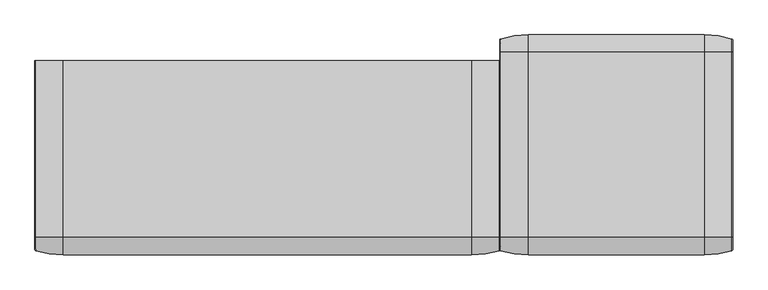
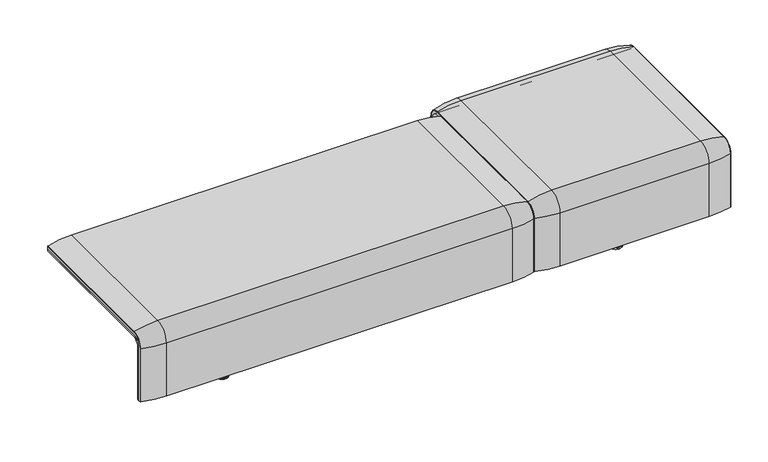
"""IFC4 building model written with IfcOpenShell, lengths in millimetres: furniture geometry."""

from ifc_helpers import new_model, si_unit, point, frame, frame_2d, origin, place, context, project, spatial, polyline, circle_curve, ellipse_curve, trimmed, segment, composite_curve, outline, extrude, source, transform, mapped, element, save
from ifc_brep_helpers import plane_surface, cylinder_surface, revolved_surface, advanced_brep


def furniture_ec41b5b8(model_context):
    return source(origin(), model_context, "Body", "SolidModel", [
        advanced_brep(
        [(407.9906244, -368.7793679, 100.5089435), (407.9906244, -357.5, 100.5089435), (1223.9718733, -357.5, 100.5089435), (1223.9718733, -368.7793679, 100.5089435), (1221.8332448, -371.6530483, 100.5089435), (1123.9718733, -386.0043559, 100.5089435), (507.9906244, -386.0043559, 100.5089435), (410.1292529, -371.6530483, 100.5089435), (407.9906244, 368.7793679, 100.5089435), (410.1292529, 371.6530483, 100.5089435), (507.9906244, 386.0043559, 100.5089435), (1123.9718733, 386.0043559, 100.5089435), (1221.8332448, 371.6530483, 100.5089435), (1223.9718733, 368.7793679, 100.5089435), (1223.9718733, 357.5, 100.5089435), (407.9906244, 357.5, 100.5089435), (407.9906244, -368.7793679, 333.0583003), (407.9906244, -324.3858663, 377.4518019), (407.9906244, 324.3858663, 377.4518019), (407.9906244, 368.7793679, 333.0583003), (407.9906244, 357.5, 333.0583003), (407.9906244, 324.3858663, 366.172434), (407.9906244, -324.3858663, 366.172434), (407.9906244, -357.5, 333.0583003), (1223.9718733, -357.5, 333.0583003), (1123.9718733, -386.0043559, 333.0583003), (507.9906244, -386.0043559, 333.0583003), (410.1292529, -371.6530483, 333.0583003), (1223.9718733, -324.3858663, 366.172434), (507.9906244, -324.3858663, 394.67679), (1123.9718733, -324.3858663, 394.67679), (410.1292529, -324.3858663, 380.3254823), (1223.9718733, 324.3858663, 366.172434), (1123.9718733, 324.3858663, 394.67679), (507.9906244, 324.3858663, 394.67679), (410.1292529, 324.3858663, 380.3254823), (1223.9718733, 357.5, 333.0583003), (507.9906244, 386.0043559, 333.0583003), (1123.9718733, 386.0043559, 333.0583003), (410.1292529, 371.6530483, 333.0583003), (1223.9718733, 368.7793679, 333.0583003), (1223.9718733, 324.3858663, 377.4518019), (1223.9718733, -324.3858663, 377.4518019), (1223.9718733, -368.7793679, 333.0583003), (1221.8332448, -371.6530483, 333.0583003), (1221.8332448, -324.3858663, 380.3254823), (1221.8332448, 324.3858663, 380.3254823), (1221.8332448, 371.6530483, 333.0583003)],
        [
            (0, 1),
            (1, 2),
            (2, 3),
            (3, 4, circle_curve(frame((1220.9718733, -368.7793679, 100.5089435), z_axis=(0.0, 0.0, -1.0), x_axis=(-1.0, 0.0, 0.0)), 3.0)),
            (4, 5, circle_curve(frame((1123.9718733, -45.1710226, 100.5089435), z_axis=(0.0, 0.0, -1.0), x_axis=(0.0, 1.0, 0.0)), 340.8333333)),
            (5, 6),
            (6, 7, circle_curve(frame((507.9906244, -45.1710226, 100.5089435), z_axis=(0.0, 0.0, -1.0), x_axis=(0.0, 1.0, 0.0)), 340.8333333)),
            (7, 0, circle_curve(frame((410.9906244, -368.7793679, 100.5089435), z_axis=(0.0, 0.0, -1.0), x_axis=(1.0, 0.0, 0.0)), 3.0)),
            (8, 9, circle_curve(frame((410.9906244, 368.7793679, 100.5089435), z_axis=(0.0, 0.0, -1.0), x_axis=(1.0, 0.0, 0.0)), 3.0)),
            (9, 10, circle_curve(frame((507.9906244, 45.1710226, 100.5089435), z_axis=(0.0, 0.0, -1.0), x_axis=(0.0, -1.0, 0.0)), 340.8333333)),
            (10, 11),
            (11, 12, circle_curve(frame((1123.9718733, 45.1710226, 100.5089435), z_axis=(0.0, 0.0, -1.0), x_axis=(0.0, -1.0, 0.0)), 340.8333333)),
            (12, 13, circle_curve(frame((1220.9718733, 368.7793679, 100.5089435), z_axis=(0.0, 0.0, -1.0), x_axis=(-1.0, 0.0, 0.0)), 3.0)),
            (13, 14),
            (14, 15),
            (15, 8),
            (0, 16),
            (16, 17, circle_curve(frame((407.9906244, -324.3858663, 333.0583003), z_axis=(-1.0, 0.0, 0.0), x_axis=(0.0, -1.0, 0.0)), 44.3935016)),
            (17, 18),
            (18, 19, circle_curve(frame((407.9906244, 324.3858663, 333.0583003), z_axis=(-1.0, 0.0, 0.0), x_axis=(0.0, 0.0, 1.0)), 44.3935016)),
            (19, 8),
            (15, 20),
            (20, 21, circle_curve(frame((407.9906244, 324.3858663, 333.0583003), z_axis=(1.0, 0.0, 0.0), x_axis=(0.0, 0.0, 1.0)), 33.1141337)),
            (21, 22),
            (22, 23, circle_curve(frame((407.9906244, -324.3858663, 333.0583003), z_axis=(1.0, 0.0, 0.0), x_axis=(0.0, -1.0, 0.0)), 33.1141337)),
            (23, 1),
            (23, 24),
            (24, 2),
            (5, 25),
            (25, 26),
            (26, 6),
            (26, 27, circle_curve(frame((507.9906244, -45.1710226, 333.0583003), z_axis=(0.0, 0.0, -1.0), x_axis=(0.0, 1.0, 0.0)), 340.8333333)),
            (27, 7),
            (27, 16, circle_curve(frame((410.9906244, -368.7793679, 333.0583003), z_axis=(0.0, 0.0, -1.0), x_axis=(1.0, 0.0, 0.0)), 3.0)),
            (28, 24, circle_curve(frame((1223.9718733, -324.3858663, 333.0583003), z_axis=(1.0, 0.0, 0.0), x_axis=(0.0, -1.0, 0.0)), 33.1141337)),
            (22, 28),
            (29, 26, circle_curve(frame((507.9906244, -324.3858663, 333.0583003), z_axis=(1.0, 0.0, 0.0), x_axis=(0.0, -1.0, 0.0)), 61.6184897)),
            (25, 30, circle_curve(frame((1123.9718733, -324.3858663, 333.0583003), z_axis=(-1.0, 0.0, 0.0), x_axis=(0.0, -1.0, 0.0)), 61.6184897)),
            (30, 29),
            (31, 27, circle_curve(frame((410.1292529, -324.3858663, 333.0583003), z_axis=(1.0, 0.0, 0.0), x_axis=(0.0, -1.0, 0.0)), 47.267182)),
            (29, 31, circle_curve(frame((507.9906244, -324.3858663, 53.8434566), z_axis=(0.0, -1.0, 0.0), x_axis=(0.0, 0.0, -1.0)), 340.8333333)),
            (31, 17, circle_curve(frame((410.9906244, -324.3858663, 377.4518019), z_axis=(0.0, -1.0, 0.0), x_axis=(1.0, 0.0, 0.0)), 3.0)),
            (21, 32),
            (32, 28),
            (30, 33),
            (33, 34),
            (34, 29),
            (34, 35, circle_curve(frame((507.9906244, 324.3858663, 53.8434566), z_axis=(0.0, -1.0, 0.0), x_axis=(0.0, 0.0, -1.0)), 340.8333333)),
            (35, 31),
            (35, 18, circle_curve(frame((410.9906244, 324.3858663, 377.4518019), z_axis=(0.0, -1.0, 0.0), x_axis=(1.0, 0.0, 0.0)), 3.0)),
            (36, 32, circle_curve(frame((1223.9718733, 324.3858663, 333.0583003), z_axis=(1.0, 0.0, 0.0), x_axis=(0.0, 0.0, 1.0)), 33.1141337)),
            (20, 36),
            (37, 34, circle_curve(frame((507.9906244, 324.3858663, 333.0583003), z_axis=(1.0, 0.0, 0.0), x_axis=(0.0, 0.0, 1.0)), 61.6184897)),
            (33, 38, circle_curve(frame((1123.9718733, 324.3858663, 333.0583003), z_axis=(-1.0, 0.0, 0.0), x_axis=(0.0, 0.0, 1.0)), 61.6184897)),
            (38, 37),
            (39, 35, circle_curve(frame((410.1292529, 324.3858663, 333.0583003), z_axis=(1.0, 0.0, 0.0), x_axis=(0.0, 0.0, 1.0)), 47.267182)),
            (37, 39, circle_curve(frame((507.9906244, 45.1710226, 333.0583003), z_axis=(0.0, 0.0, 1.0), x_axis=(0.0, -1.0, 0.0)), 340.8333333)),
            (39, 19, circle_curve(frame((410.9906244, 368.7793679, 333.0583003), z_axis=(0.0, 0.0, 1.0), x_axis=(1.0, 0.0, 0.0)), 3.0)),
            (14, 36),
            (38, 11),
            (10, 37),
            (9, 39),
            (13, 40),
            (40, 41, circle_curve(frame((1223.9718733, 324.3858663, 333.0583003), z_axis=(1.0, 0.0, 0.0), x_axis=(0.0, 0.0, 1.0)), 44.3935016)),
            (41, 42),
            (42, 43, circle_curve(frame((1223.9718733, -324.3858663, 333.0583003), z_axis=(1.0, 0.0, 0.0), x_axis=(0.0, -1.0, 0.0)), 44.3935016)),
            (43, 3),
            (43, 44, circle_curve(frame((1220.9718733, -368.7793679, 333.0583003), z_axis=(0.0, 0.0, -1.0), x_axis=(-1.0, 0.0, 0.0)), 3.0)),
            (44, 4),
            (44, 25, circle_curve(frame((1123.9718733, -45.1710226, 333.0583003), z_axis=(0.0, 0.0, -1.0), x_axis=(0.0, 1.0, 0.0)), 340.8333333)),
            (45, 44, circle_curve(frame((1221.8332448, -324.3858663, 333.0583003), z_axis=(1.0, 0.0, 0.0), x_axis=(0.0, -1.0, 0.0)), 47.267182)),
            (42, 45, circle_curve(frame((1220.9718733, -324.3858663, 377.4518019), z_axis=(0.0, -1.0, 0.0), x_axis=(-1.0, 0.0, 0.0)), 3.0)),
            (45, 30, circle_curve(frame((1123.9718733, -324.3858663, 53.8434566), z_axis=(0.0, -1.0, 0.0), x_axis=(0.0, 0.0, -1.0)), 340.8333333)),
            (41, 46, circle_curve(frame((1220.9718733, 324.3858663, 377.4518019), z_axis=(0.0, -1.0, 0.0), x_axis=(-1.0, 0.0, 0.0)), 3.0)),
            (46, 45),
            (46, 33, circle_curve(frame((1123.9718733, 324.3858663, 53.8434566), z_axis=(0.0, -1.0, 0.0), x_axis=(0.0, 0.0, -1.0)), 340.8333333)),
            (47, 46, circle_curve(frame((1221.8332448, 324.3858663, 333.0583003), z_axis=(1.0, 0.0, 0.0), x_axis=(0.0, 0.0, 1.0)), 47.267182)),
            (40, 47, circle_curve(frame((1220.9718733, 368.7793679, 333.0583003), z_axis=(0.0, 0.0, 1.0), x_axis=(-1.0, 0.0, 0.0)), 3.0)),
            (47, 38, circle_curve(frame((1123.9718733, 45.1710226, 333.0583003), z_axis=(0.0, 0.0, 1.0), x_axis=(0.0, -1.0, 0.0)), 340.8333333)),
            (12, 47),
        ],
        [
            plane_surface(frame((407.9906244, -357.5, 100.5089435), z_axis=(0.0, 0.0, -1.0), x_axis=(1.0, 0.0, 0.0))),
            plane_surface(frame((407.9906244, 357.5, 100.5089435), z_axis=(0.0, 0.0, -1.0), x_axis=(1.0, 0.0, 0.0))),
            plane_surface(frame((407.9906244, -368.7793679, 100.5089435), z_axis=(-1.0, 0.0, 0.0), x_axis=(0.0, 0.0, 1.0))),
            plane_surface(frame((407.9906244, -357.5, 100.5089435), z_axis=(0.0, 1.0, 0.0), x_axis=(0.0, 0.0, 1.0))),
            plane_surface(frame((1123.9718733, -386.0043559, 100.5089435), z_axis=(0.0, -1.0, 0.0), x_axis=(0.0, 0.0, 1.0))),
            cylinder_surface(frame((507.9906244, -45.1710226, 100.5089435), z_axis=(0.0, 0.0, -1.0), x_axis=(0.0, 1.0, 0.0)), 340.8333333),
            cylinder_surface(frame((410.9906244, -368.7793679, 100.5089435), z_axis=(0.0, 0.0, -1.0), x_axis=(1.0, 0.0, 0.0)), 3.0),
            revolved_surface(polyline([(407.9906244, -357.5, 333.0583003), (1223.9718733, -357.5, 333.0583003)]), (407.9906244, -324.3858663, 333.0583003), (-1.0, 0.0, 0.0)),
            cylinder_surface(frame((407.9906244, -324.3858663, 333.0583003), z_axis=(-1.0, 0.0, 0.0), x_axis=(0.0, -1.0, 0.0)), 61.6184897),
            revolved_surface(trimmed(ellipse_curve(frame((507.9906244, -45.1710226, 333.0583003), z_axis=(0.0, 0.0, -1.0), x_axis=(0.0, 1.0, 0.0)), 340.8333333, 340.8333333), [point((507.9906244, -386.0043559, 333.0583003))], [point((410.1292529, -371.6530483, 333.0583003))], True, "CARTESIAN"), (407.9906244, -324.3858663, 333.0583003), (-1.0, 0.0, 0.0)),
            revolved_surface(trimmed(ellipse_curve(frame((410.9906244, -368.7793679, 333.0583003), z_axis=(0.0, 0.0, -1.0), x_axis=(1.0, 0.0, 0.0)), 3.0, 3.0), [point((410.1292529, -371.6530483, 333.0583003))], [point((407.9906244, -368.7793679, 333.0583003))], True, "CARTESIAN"), (407.9906244, -324.3858663, 333.0583003), (-1.0, 0.0, 0.0)),
            plane_surface(frame((407.9906244, -324.3858663, 366.172434), z_axis=(0.0, 0.0, -1.0), x_axis=(0.0, 1.0, 0.0))),
            plane_surface(frame((1123.9718733, -324.3858663, 394.67679), z_axis=(0.0, 0.0, 1.0), x_axis=(0.0, 1.0, 0.0))),
            cylinder_surface(frame((507.9906244, -324.3858663, 53.8434566), z_axis=(0.0, -1.0, 0.0), x_axis=(0.0, 0.0, -1.0)), 340.8333333),
            cylinder_surface(frame((410.9906244, -324.3858663, 377.4518019), z_axis=(0.0, -1.0, 0.0), x_axis=(1.0, 0.0, 0.0)), 3.0),
            revolved_surface(polyline([(407.9906244, 324.3858663, 366.17243399999995), (1223.9718733, 324.3858663, 366.17243399999995)]), (407.9906244, 324.3858663, 333.0583003), (-1.0, 0.0, 0.0)),
            cylinder_surface(frame((407.9906244, 324.3858663, 333.0583003), z_axis=(-1.0, 0.0, 0.0), x_axis=(0.0, 0.0, 1.0)), 61.6184897),
            revolved_surface(trimmed(ellipse_curve(frame((507.9906244, 324.3858663, 53.8434566), z_axis=(0.0, -1.0, 0.0), x_axis=(0.0, 0.0, -1.0)), 340.8333333, 340.8333333), [point((507.9906244, 324.3858663, 394.67679))], [point((410.1292529, 324.3858663, 380.3254823))], True, "CARTESIAN"), (407.9906244, 324.3858663, 333.0583003), (-1.0, 0.0, 0.0)),
            revolved_surface(trimmed(ellipse_curve(frame((410.9906244, 324.3858663, 377.4518019), z_axis=(0.0, -1.0, 0.0), x_axis=(1.0, 0.0, 0.0)), 3.0, 3.0), [point((410.1292529, 324.3858663, 380.3254823))], [point((407.9906244, 324.3858663, 377.4518019))], True, "CARTESIAN"), (407.9906244, 324.3858663, 333.0583003), (-1.0, 0.0, 0.0)),
            plane_surface(frame((407.9906244, 357.5, 333.0583003), z_axis=(0.0, -1.0, 0.0), x_axis=(0.0, 0.0, -1.0))),
            plane_surface(frame((1123.9718733, 386.0043559, 333.0583003), z_axis=(0.0, 1.0, 0.0), x_axis=(0.0, 0.0, -1.0))),
            cylinder_surface(frame((507.9906244, 45.1710226, 333.0583003), z_axis=(0.0, 0.0, 1.0), x_axis=(0.0, -1.0, 0.0)), 340.8333333),
            cylinder_surface(frame((410.9906244, 368.7793679, 333.0583003), z_axis=(0.0, 0.0, 1.0), x_axis=(1.0, 0.0, 0.0)), 3.0),
            plane_surface(frame((1223.9718733, -357.5, 100.5089435), z_axis=(1.0, 0.0, 0.0), x_axis=(0.0, 0.0, 1.0))),
            cylinder_surface(frame((1220.9718733, -368.7793679, 100.5089435), z_axis=(0.0, 0.0, -1.0), x_axis=(-1.0, 0.0, 0.0)), 3.0),
            cylinder_surface(frame((1123.9718733, -45.1710226, 100.5089435), z_axis=(0.0, 0.0, -1.0), x_axis=(0.0, 1.0, 0.0)), 340.8333333),
            revolved_surface(trimmed(ellipse_curve(frame((1220.9718733, -368.7793679, 333.0583003), z_axis=(0.0, 0.0, -1.0), x_axis=(-1.0, 0.0, 0.0)), 3.0, 3.0), [point((1223.9718733, -368.7793679, 333.0583003))], [point((1221.8332448, -371.6530483, 333.0583003))], True, "CARTESIAN"), (407.9906244, -324.3858663, 333.0583003), (-1.0, 0.0, 0.0)),
            revolved_surface(trimmed(ellipse_curve(frame((1123.9718733, -45.1710226, 333.0583003), z_axis=(0.0, 0.0, -1.0), x_axis=(0.0, 1.0, 0.0)), 340.8333333, 340.8333333), [point((1221.8332448, -371.6530483, 333.0583003))], [point((1123.9718733, -386.0043559, 333.0583003))], True, "CARTESIAN"), (407.9906244, -324.3858663, 333.0583003), (-1.0, 0.0, 0.0)),
            cylinder_surface(frame((1220.9718733, -324.3858663, 377.4518019), z_axis=(0.0, -1.0, 0.0), x_axis=(-1.0, 0.0, 0.0)), 3.0),
            cylinder_surface(frame((1123.9718733, -324.3858663, 53.8434566), z_axis=(0.0, -1.0, 0.0), x_axis=(0.0, 0.0, -1.0)), 340.8333333),
            revolved_surface(trimmed(ellipse_curve(frame((1220.9718733, 324.3858663, 377.4518019), z_axis=(0.0, -1.0, 0.0), x_axis=(-1.0, 0.0, 0.0)), 3.0, 3.0), [point((1223.9718733, 324.3858663, 377.4518019))], [point((1221.8332448, 324.3858663, 380.3254823))], True, "CARTESIAN"), (407.9906244, 324.3858663, 333.0583003), (-1.0, 0.0, 0.0)),
            revolved_surface(trimmed(ellipse_curve(frame((1123.9718733, 324.3858663, 53.8434566), z_axis=(0.0, -1.0, 0.0), x_axis=(0.0, 0.0, -1.0)), 340.8333333, 340.8333333), [point((1221.8332448, 324.3858663, 380.3254823))], [point((1123.9718733, 324.3858663, 394.67679))], True, "CARTESIAN"), (407.9906244, 324.3858663, 333.0583003), (-1.0, 0.0, 0.0)),
            cylinder_surface(frame((1220.9718733, 368.7793679, 333.0583003), z_axis=(0.0, 0.0, 1.0), x_axis=(-1.0, 0.0, 0.0)), 3.0),
            cylinder_surface(frame((1123.9718733, 45.1710226, 333.0583003), z_axis=(0.0, 0.0, 1.0), x_axis=(0.0, -1.0, 0.0)), 340.8333333),
        ],
        [
            (0, [[1, 2, 3, 4, 5, 6, 7, 8]]),
            (1, [[9, 10, 11, 12, 13, 14, 15, 16]]),
            (2, [[-1, 17, 18, 19, 20, 21, -16, 22, 23, 24, 25, 26]]),
            (3, [[-2, -26, 27, 28]]),
            (4, [[-6, 29, 30, 31]]),
            (5, [[-7, -31, 32, 33]]),
            (6, [[-8, -33, 34, -17]]),
            (7, [[35, -27, -25, 36]]),
            (8, [[37, -30, 38, 39]]),
            (9, [[40, -32, -37, 41]]),
            (10, [[-18, -34, -40, 42]]),
            (11, [[-36, -24, 43, 44]]),
            (12, [[-39, 45, 46, 47]]),
            (13, [[-41, -47, 48, 49]]),
            (14, [[-42, -49, 50, -19]]),
            (15, [[51, -43, -23, 52]]),
            (16, [[53, -46, 54, 55]]),
            (17, [[56, -48, -53, 57]]),
            (18, [[-20, -50, -56, 58]]),
            (19, [[-52, -22, -15, 59]]),
            (20, [[-55, 60, -11, 61]]),
            (21, [[-57, -61, -10, 62]]),
            (22, [[-58, -62, -9, -21]]),
            (23, [[-3, -28, -35, -44, -51, -59, -14, 63, 64, 65, 66, 67]]),
            (24, [[-4, -67, 68, 69]]),
            (25, [[-5, -69, 70, -29]]),
            (26, [[71, -68, -66, 72]]),
            (27, [[-38, -70, -71, 73]]),
            (28, [[-72, -65, 74, 75]]),
            (29, [[-73, -75, 76, -45]]),
            (30, [[77, -74, -64, 78]]),
            (31, [[-54, -76, -77, 79]]),
            (32, [[-78, -63, -13, 80]]),
            (33, [[-79, -80, -12, -60]]),
        ],
    ),
        advanced_brep(
        [(-1223.9718733, 295.0, 359.922434), (-1223.9718733, -323.7517936, 359.922434), (-1223.9718733, -351.0, 332.6742277), (-1223.9718733, -351.0, 100.5089435), (-1223.9718733, -357.5, 100.5089435), (-1223.9718733, -357.5, 333.0583003), (-1223.9718733, -324.3858663, 366.172434), (-1223.9718733, 295.0, 366.172434), (407.9906244, 295.0, 359.922434), (407.9906244, 295.0, 366.172434), (407.9906244, -324.3858663, 366.172434), (407.9906244, -357.5, 333.0583003), (407.9906244, -357.5, 100.5089435), (407.9906244, -351.0, 100.5089435), (407.9906244, -351.0, 332.6742277), (407.9906244, -323.7517936, 359.922434), (-1189.0718733, -324.3858663, 366.172434), (-1189.0718733, 260.0, 366.172434), (373.0906244, 260.0, 366.172434), (373.0906244, -324.3858663, 366.172434), (-1189.0718733, -357.5, 333.0583003), (373.0906244, -357.5, 333.0583003), (373.0906244, -357.5, 135.3766997), (-1189.0718733, -357.5, 135.3766997), (-1189.0718733, -351.0, 332.6742277), (-1189.0718733, -351.0, 135.3766997), (373.0906244, -351.0, 135.3766997), (373.0906244, -351.0, 332.6742277), (-1189.0718733, -323.7517936, 359.922434), (373.0906244, -323.7517936, 359.922434), (373.0906244, 260.0, 359.922434), (-1189.0718733, 260.0, 359.922434)],
        [
            (0, 1),
            (1, 2, circle_curve(frame((-1223.9718733, -323.7517936, 332.6742277), z_axis=(1.0, 0.0, 0.0), x_axis=(0.0, -1.0, 0.0)), 27.2482064)),
            (2, 3),
            (3, 4),
            (4, 5),
            (5, 6, circle_curve(frame((-1223.9718733, -324.3858663, 333.0583003), z_axis=(-1.0, 0.0, 0.0), x_axis=(0.0, -1.0, 0.0)), 33.1141337)),
            (6, 7),
            (7, 0),
            (8, 9),
            (9, 10),
            (10, 11, circle_curve(frame((407.9906244, -324.3858663, 333.0583003), z_axis=(1.0, 0.0, 0.0), x_axis=(0.0, -1.0, 0.0)), 33.1141337)),
            (11, 12),
            (12, 13),
            (13, 14),
            (14, 15, circle_curve(frame((407.9906244, -323.7517936, 332.6742277), z_axis=(-1.0, 0.0, 0.0), x_axis=(0.0, -1.0, 0.0)), 27.2482064)),
            (15, 8),
            (7, 9),
            (8, 0),
            (6, 16),
            (16, 17),
            (17, 18),
            (18, 19),
            (19, 10),
            (5, 20),
            (20, 16, circle_curve(frame((-1189.0718733, -324.3858663, 333.0583003), z_axis=(-1.0, 0.0, 0.0), x_axis=(0.0, -1.0, 0.0)), 33.1141337)),
            (19, 21, circle_curve(frame((373.0906244, -324.3858663, 333.0583003), z_axis=(1.0, 0.0, 0.0), x_axis=(0.0, -1.0, 0.0)), 33.1141337)),
            (21, 11),
            (4, 12),
            (21, 22),
            (22, 23),
            (23, 20),
            (3, 13),
            (2, 24),
            (24, 25),
            (25, 26),
            (26, 27),
            (27, 14),
            (1, 28),
            (28, 24, circle_curve(frame((-1189.0718733, -323.7517936, 332.6742277), z_axis=(1.0, 0.0, 0.0), x_axis=(0.0, -1.0, 0.0)), 27.2482064)),
            (27, 29, circle_curve(frame((373.0906244, -323.7517936, 332.6742277), z_axis=(-1.0, 0.0, 0.0), x_axis=(0.0, -1.0, 0.0)), 27.2482064)),
            (29, 15),
            (29, 30),
            (30, 31),
            (31, 28),
            (31, 17),
            (23, 25),
            (26, 22),
            (18, 30),
        ],
        [
            plane_surface(frame((-1223.9718733, -296.9265415, 359.922434), z_axis=(-1.0, 0.0, 0.0), x_axis=(0.0, -1.0, 0.0))),
            plane_surface(frame((407.9906244, -296.9265415, 359.922434), z_axis=(1.0, 0.0, 0.0), x_axis=(0.0, 1.0, 0.0))),
            plane_surface(frame((-1223.9718733, 295.0, 366.172434), z_axis=(0.0, 1.0, 0.0), x_axis=(1.0, 0.0, 0.0))),
            plane_surface(frame((-1223.9718733, -324.3858663, 366.172434), z_axis=(0.0, 0.0, 1.0), x_axis=(1.0, 0.0, 0.0))),
            cylinder_surface(frame((407.9906244, -324.3858663, 333.0583003), z_axis=(-1.0, 0.0, 0.0), x_axis=(0.0, -1.0, 0.0)), 33.1141337),
            plane_surface(frame((-1223.9718733, -357.5, 100.5089435), z_axis=(0.0, -1.0, 0.0), x_axis=(1.0, 0.0, 0.0))),
            plane_surface(frame((-1223.9718733, -351.0, 100.5089435), z_axis=(0.0, 0.0, -1.0), x_axis=(1.0, 0.0, 0.0))),
            plane_surface(frame((-1223.9718733, -351.0, 332.6742277), z_axis=(0.0, 1.0, 0.0), x_axis=(1.0, 0.0, 0.0))),
            revolved_surface(polyline([(-1189.0718733000003, -351.0, 332.6742277), (-1223.9718733, -351.0, 332.6742277)]), (407.9906244, -323.7517936, 332.6742277), (1.0, 0.0, 0.0)),
            revolved_surface(polyline([(407.9906244, -351.0, 332.6742277), (373.0906244, -351.0, 332.6742277)]), (407.9906244, -323.7517936, 332.6742277), (1.0, 0.0, 0.0)),
            plane_surface(frame((-1223.9718733, 295.0, 359.922434), z_axis=(0.0, 0.0, -1.0), x_axis=(1.0, 0.0, 0.0))),
            plane_surface(frame((-1189.0718733, -296.9265415, 359.922434), z_axis=(1.0, 0.0, 0.0), x_axis=(0.0, -1.0, 0.0))),
            plane_surface(frame((373.0906244, -296.9265415, 359.922434), z_axis=(-1.0, 0.0, 0.0), x_axis=(0.0, 1.0, 0.0))),
            plane_surface(frame((-1189.0718733, 260.0, 366.172434), z_axis=(0.0, -1.0, 0.0), x_axis=(1.0, 0.0, 0.0))),
            plane_surface(frame((-1189.0718733, -351.0, 135.3766997), z_axis=(0.0, 0.0, 1.0), x_axis=(1.0, 0.0, 0.0))),
        ],
        [
            (0, [[1, 2, 3, 4, 5, 6, 7, 8]]),
            (1, [[9, 10, 11, 12, 13, 14, 15, 16]]),
            (2, [[-8, 17, -9, 18]]),
            (3, [[-7, 19, 20, 21, 22, 23, -10, -17]]),
            (4, [[-6, 24, 25, -19]]),
            (4, [[-11, -23, 26, 27]]),
            (5, [[-5, 28, -12, -27, 29, 30, 31, -24]]),
            (6, [[-4, 32, -13, -28]]),
            (7, [[-3, 33, 34, 35, 36, 37, -14, -32]]),
            (8, [[-2, 38, 39, -33]]),
            (9, [[-15, -37, 40, 41]]),
            (10, [[-1, -18, -16, -41, 42, 43, 44, -38]]),
            (11, [[45, -20, -25, -31, 46, -34, -39, -44]]),
            (12, [[47, -29, -26, -22, 48, -42, -40, -36]]),
            (13, [[-45, -43, -48, -21]]),
            (14, [[-46, -30, -47, -35]]),
        ],
    ),
        extrude(outline(composite_curve([segment(polyline([(260.0, 359.922434), (-323.7517936, 359.922434)]), True, "CONTINUOUS"), segment(trimmed(circle_curve(frame_2d((-323.7517936, 332.6742277)), 27.2482064), [point((-323.7517936, 359.922434))], [point((-351.0, 332.6742277))], True, "CARTESIAN"), True, "CONTINUOUS"), segment(polyline([(-351.0, 332.6742277), (-351.0, 135.3766997), (-357.5, 135.3766997), (-357.5, 333.0583003)]), True, "CONTINUOUS"), segment(trimmed(circle_curve(frame_2d((-324.3858663, 333.0583003)), 33.1141337), [point((-357.5, 333.0583003))], [point((-324.3858663, 366.172434))], False, "CARTESIAN"), True, "CONTINUOUS"), segment(polyline([(-324.3858663, 366.172434), (260.0, 366.172434), (260.0, 359.922434)]), True, "CONTINUOUS")], self_intersect=False)), frame((-1189.0718733, 0.0, 0.0), z_axis=(1.0, 0.0, 0.0), x_axis=(0.0, 1.0, 0.0)), (0.0, 0.0, 1.0), 1562.1624977),
        advanced_brep(
        [(-1223.9718733, -368.7793679, 100.5089435), (-1223.9718733, -357.5, 100.5089435), (407.9906244, -357.5, 100.5089435), (407.9906244, -368.7793679, 100.5089435), (405.8519959, -371.6530483, 100.5089435), (307.9906244, -386.0043559, 100.5089435), (-1123.9718733, -386.0043559, 100.5089435), (-1221.8332448, -371.6530483, 100.5089435), (-1223.9718733, 295.0, 377.4518019), (-1221.8332448, 295.0, 380.3254823), (-1123.9718733, 295.0, 394.67679), (307.9906244, 295.0, 394.67679), (405.8519959, 295.0, 380.3254823), (407.9906244, 295.0, 377.4518019), (407.9906244, 295.0, 366.172434), (-1223.9718733, 295.0, 366.172434), (-1223.9718733, -368.7793679, 333.0583003), (-1223.9718733, -324.3858663, 377.4518019), (-1223.9718733, -324.3858663, 366.172434), (-1223.9718733, -357.5, 333.0583003), (407.9906244, -357.5, 333.0583003), (307.9906244, -386.0043559, 333.0583003), (-1123.9718733, -386.0043559, 333.0583003), (-1221.8332448, -371.6530483, 333.0583003), (407.9906244, -324.3858663, 366.172434), (-1123.9718733, -324.3858663, 394.67679), (307.9906244, -324.3858663, 394.67679), (-1221.8332448, -324.3858663, 380.3254823), (407.9906244, -324.3858663, 377.4518019), (407.9906244, -368.7793679, 333.0583003), (405.8519959, -371.6530483, 333.0583003), (405.8519959, -324.3858663, 380.3254823)],
        [
            (0, 1),
            (1, 2),
            (2, 3),
            (3, 4, circle_curve(frame((404.9906244, -368.7793679, 100.5089435), z_axis=(0.0, 0.0, -1.0), x_axis=(-1.0, 0.0, 0.0)), 3.0)),
            (4, 5, circle_curve(frame((307.9906244, -45.1710226, 100.5089435), z_axis=(0.0, 0.0, -1.0), x_axis=(0.0, 1.0, 0.0)), 340.8333333)),
            (5, 6),
            (6, 7, circle_curve(frame((-1123.9718733, -45.1710226, 100.5089435), z_axis=(0.0, 0.0, -1.0), x_axis=(0.0, 1.0, 0.0)), 340.8333333)),
            (7, 0, circle_curve(frame((-1220.9718733, -368.7793679, 100.5089435), z_axis=(0.0, 0.0, -1.0), x_axis=(1.0, 0.0, 0.0)), 3.0)),
            (8, 9, circle_curve(frame((-1220.9718733, 295.0, 377.4518019), z_axis=(0.0, 1.0, 0.0), x_axis=(1.0, 0.0, 0.0)), 3.0)),
            (9, 10, circle_curve(frame((-1123.9718733, 295.0, 53.8434566), z_axis=(0.0, 1.0, 0.0), x_axis=(0.0, 0.0, -1.0)), 340.8333333)),
            (10, 11),
            (11, 12, circle_curve(frame((307.9906244, 295.0, 53.8434566), z_axis=(0.0, 1.0, 0.0), x_axis=(0.0, 0.0, -1.0)), 340.8333333)),
            (12, 13, circle_curve(frame((404.9906244, 295.0, 377.4518019), z_axis=(0.0, 1.0, 0.0), x_axis=(-1.0, 0.0, 0.0)), 3.0)),
            (13, 14),
            (14, 15),
            (15, 8),
            (0, 16),
            (16, 17, circle_curve(frame((-1223.9718733, -324.3858663, 333.0583003), z_axis=(-1.0, 0.0, 0.0), x_axis=(0.0, -1.0, 0.0)), 44.3935016)),
            (17, 8),
            (15, 18),
            (18, 19, circle_curve(frame((-1223.9718733, -324.3858663, 333.0583003), z_axis=(1.0, 0.0, 0.0), x_axis=(0.0, -1.0, 0.0)), 33.1141337)),
            (19, 1),
            (19, 20),
            (20, 2),
            (5, 21),
            (21, 22),
            (22, 6),
            (22, 23, circle_curve(frame((-1123.9718733, -45.1710226, 333.0583003), z_axis=(0.0, 0.0, -1.0), x_axis=(0.0, 1.0, 0.0)), 340.8333333)),
            (23, 7),
            (23, 16, circle_curve(frame((-1220.9718733, -368.7793679, 333.0583003), z_axis=(0.0, 0.0, -1.0), x_axis=(1.0, 0.0, 0.0)), 3.0)),
            (24, 20, circle_curve(frame((407.9906244, -324.3858663, 333.0583003), z_axis=(1.0, 0.0, 0.0), x_axis=(0.0, -1.0, 0.0)), 33.1141337)),
            (18, 24),
            (25, 22, circle_curve(frame((-1123.9718733, -324.3858663, 333.0583003), z_axis=(1.0, 0.0, 0.0), x_axis=(0.0, -1.0, 0.0)), 61.6184897)),
            (21, 26, circle_curve(frame((307.9906244, -324.3858663, 333.0583003), z_axis=(-1.0, 0.0, 0.0), x_axis=(0.0, -1.0, 0.0)), 61.6184897)),
            (26, 25),
            (27, 23, circle_curve(frame((-1221.8332448, -324.3858663, 333.0583003), z_axis=(1.0, 0.0, 0.0), x_axis=(0.0, -1.0, 0.0)), 47.267182)),
            (25, 27, circle_curve(frame((-1123.9718733, -324.3858663, 53.8434566), z_axis=(0.0, -1.0, 0.0), x_axis=(0.0, 0.0, -1.0)), 340.8333333)),
            (27, 17, circle_curve(frame((-1220.9718733, -324.3858663, 377.4518019), z_axis=(0.0, -1.0, 0.0), x_axis=(1.0, 0.0, 0.0)), 3.0)),
            (14, 24),
            (26, 11),
            (10, 25),
            (9, 27),
            (13, 28),
            (28, 29, circle_curve(frame((407.9906244, -324.3858663, 333.0583003), z_axis=(1.0, 0.0, 0.0), x_axis=(0.0, -1.0, 0.0)), 44.3935016)),
            (29, 3),
            (29, 30, circle_curve(frame((404.9906244, -368.7793679, 333.0583003), z_axis=(0.0, 0.0, -1.0), x_axis=(-1.0, 0.0, 0.0)), 3.0)),
            (30, 4),
            (30, 21, circle_curve(frame((307.9906244, -45.1710226, 333.0583003), z_axis=(0.0, 0.0, -1.0), x_axis=(0.0, 1.0, 0.0)), 340.8333333)),
            (31, 30, circle_curve(frame((405.8519959, -324.3858663, 333.0583003), z_axis=(1.0, 0.0, 0.0), x_axis=(0.0, -1.0, 0.0)), 47.267182)),
            (28, 31, circle_curve(frame((404.9906244, -324.3858663, 377.4518019), z_axis=(0.0, -1.0, 0.0), x_axis=(-1.0, 0.0, 0.0)), 3.0)),
            (31, 26, circle_curve(frame((307.9906244, -324.3858663, 53.8434566), z_axis=(0.0, -1.0, 0.0), x_axis=(0.0, 0.0, -1.0)), 340.8333333)),
            (12, 31),
        ],
        [
            plane_surface(frame((-1223.9718733, -357.5, 100.5089435), z_axis=(0.0, 0.0, -1.0), x_axis=(1.0, 0.0, 0.0))),
            plane_surface(frame((-1223.9718733, 295.0, 366.172434), z_axis=(0.0, 1.0, 0.0), x_axis=(1.0, 0.0, 0.0))),
            plane_surface(frame((-1223.9718733, -368.7793679, 100.5089435), z_axis=(-1.0, 0.0, 0.0), x_axis=(0.0, 0.0, 1.0))),
            plane_surface(frame((-1223.9718733, -357.5, 100.5089435), z_axis=(0.0, 1.0, 0.0), x_axis=(0.0, 0.0, 1.0))),
            plane_surface(frame((307.9906244, -386.0043559, 100.5089435), z_axis=(0.0, -1.0, 0.0), x_axis=(0.0, 0.0, 1.0))),
            cylinder_surface(frame((-1123.9718733, -45.1710226, 100.5089435), z_axis=(0.0, 0.0, -1.0), x_axis=(0.0, 1.0, 0.0)), 340.8333333),
            cylinder_surface(frame((-1220.9718733, -368.7793679, 100.5089435), z_axis=(0.0, 0.0, -1.0), x_axis=(1.0, 0.0, 0.0)), 3.0),
            revolved_surface(polyline([(-1223.9718733, -357.5, 333.0583003), (407.9906243999999, -357.5, 333.0583003)]), (-1223.9718733, -324.3858663, 333.0583003), (-1.0, 0.0, 0.0)),
            cylinder_surface(frame((-1223.9718733, -324.3858663, 333.0583003), z_axis=(-1.0, 0.0, 0.0), x_axis=(0.0, -1.0, 0.0)), 61.6184897),
            revolved_surface(trimmed(ellipse_curve(frame((-1123.9718733, -45.1710226, 333.0583003), z_axis=(0.0, 0.0, -1.0), x_axis=(0.0, 1.0, 0.0)), 340.8333333, 340.8333333), [point((-1123.9718733, -386.0043559, 333.0583003))], [point((-1221.8332448, -371.6530483, 333.0583003))], True, "CARTESIAN"), (-1223.9718733, -324.3858663, 333.0583003), (-1.0, 0.0, 0.0)),
            revolved_surface(trimmed(ellipse_curve(frame((-1220.9718733, -368.7793679, 333.0583003), z_axis=(0.0, 0.0, -1.0), x_axis=(1.0, 0.0, 0.0)), 3.0, 3.0), [point((-1221.8332448, -371.6530483, 333.0583003))], [point((-1223.9718733, -368.7793679, 333.0583003))], True, "CARTESIAN"), (-1223.9718733, -324.3858663, 333.0583003), (-1.0, 0.0, 0.0)),
            plane_surface(frame((-1223.9718733, -324.3858663, 366.172434), z_axis=(0.0, 0.0, -1.0), x_axis=(0.0, 1.0, 0.0))),
            plane_surface(frame((307.9906244, -324.3858663, 394.67679), z_axis=(0.0, 0.0, 1.0), x_axis=(0.0, 1.0, 0.0))),
            cylinder_surface(frame((-1123.9718733, -324.3858663, 53.8434566), z_axis=(0.0, -1.0, 0.0), x_axis=(0.0, 0.0, -1.0)), 340.8333333),
            cylinder_surface(frame((-1220.9718733, -324.3858663, 377.4518019), z_axis=(0.0, -1.0, 0.0), x_axis=(1.0, 0.0, 0.0)), 3.0),
            plane_surface(frame((407.9906244, -357.5, 100.5089435), z_axis=(1.0, 0.0, 0.0), x_axis=(0.0, 0.0, 1.0))),
            cylinder_surface(frame((404.9906244, -368.7793679, 100.5089435), z_axis=(0.0, 0.0, -1.0), x_axis=(-1.0, 0.0, 0.0)), 3.0),
            cylinder_surface(frame((307.9906244, -45.1710226, 100.5089435), z_axis=(0.0, 0.0, -1.0), x_axis=(0.0, 1.0, 0.0)), 340.8333333),
            revolved_surface(trimmed(ellipse_curve(frame((404.9906244, -368.7793679, 333.0583003), z_axis=(0.0, 0.0, -1.0), x_axis=(-1.0, 0.0, 0.0)), 3.0, 3.0), [point((407.9906244, -368.7793679, 333.0583003))], [point((405.8519959, -371.6530483, 333.0583003))], True, "CARTESIAN"), (-1223.9718733, -324.3858663, 333.0583003), (-1.0, 0.0, 0.0)),
            revolved_surface(trimmed(ellipse_curve(frame((307.9906244, -45.1710226, 333.0583003), z_axis=(0.0, 0.0, -1.0), x_axis=(0.0, 1.0, 0.0)), 340.8333333, 340.8333333), [point((405.8519959, -371.6530483, 333.0583003))], [point((307.9906244, -386.0043559, 333.0583003))], True, "CARTESIAN"), (-1223.9718733, -324.3858663, 333.0583003), (-1.0, 0.0, 0.0)),
            cylinder_surface(frame((404.9906244, -324.3858663, 377.4518019), z_axis=(0.0, -1.0, 0.0), x_axis=(-1.0, 0.0, 0.0)), 3.0),
            cylinder_surface(frame((307.9906244, -324.3858663, 53.8434566), z_axis=(0.0, -1.0, 0.0), x_axis=(0.0, 0.0, -1.0)), 340.8333333),
        ],
        [
            (0, [[1, 2, 3, 4, 5, 6, 7, 8]]),
            (1, [[9, 10, 11, 12, 13, 14, 15, 16]]),
            (2, [[-1, 17, 18, 19, -16, 20, 21, 22]]),
            (3, [[-2, -22, 23, 24]]),
            (4, [[-6, 25, 26, 27]]),
            (5, [[-7, -27, 28, 29]]),
            (6, [[-8, -29, 30, -17]]),
            (7, [[31, -23, -21, 32]]),
            (8, [[33, -26, 34, 35]]),
            (9, [[36, -28, -33, 37]]),
            (10, [[-18, -30, -36, 38]]),
            (11, [[-32, -20, -15, 39]]),
            (12, [[-35, 40, -11, 41]]),
            (13, [[-37, -41, -10, 42]]),
            (14, [[-38, -42, -9, -19]]),
            (15, [[-3, -24, -31, -39, -14, 43, 44, 45]]),
            (16, [[-4, -45, 46, 47]]),
            (17, [[-5, -47, 48, -25]]),
            (18, [[49, -46, -44, 50]]),
            (19, [[-34, -48, -49, 51]]),
            (20, [[-50, -43, -13, 52]]),
            (21, [[-51, -52, -12, -40]]),
        ],
    ),
        advanced_brep(
        [(815.9812488, -250.0000031, 0.0), (815.9812488, -225.0000031, 0.0), (815.9812488, -275.0000031, 0.0), (815.9812488, -262.4715672, 344.8637637), (815.9812488, -237.5284391, 344.8637637), (815.9812488, -250.0000031, 344.8637637), (815.9812488, -262.4715672, 16.2604994), (815.9812488, -237.5284391, 16.2604994), (815.9812488, -273.2294713, 5.5025953), (815.9812488, -226.770535, 5.5025953), (815.9812488, -275.0000031, 5.5025953), (815.9812488, -225.0000031, 5.5025953)],
        [
            (0, 1),
            (1, 2, circle_curve(frame((815.9812488, -250.0000031, 0.0), z_axis=(0.0, 0.0, -1.0), x_axis=(0.0, 1.0, 0.0)), 25.0)),
            (2, 0),
            (2, 1, circle_curve(frame((815.9812488, -250.0000031, 0.0), z_axis=(0.0, 0.0, -1.0), x_axis=(0.0, 1.0, 0.0)), 25.0)),
            (3, 4, circle_curve(frame((815.9812488, -250.0000031, 344.8637637), z_axis=(0.0, 0.0, 1.0), x_axis=(0.0, 1.0, 0.0)), 12.471564)),
            (4, 5),
            (5, 3),
            (4, 3, circle_curve(frame((815.9812488, -250.0000031, 344.8637637), z_axis=(0.0, 0.0, 1.0), x_axis=(0.0, 1.0, 0.0)), 12.471564)),
            (6, 7, circle_curve(frame((815.9812488, -250.0000031, 16.2604994), z_axis=(0.0, 0.0, 1.0), x_axis=(0.0, 1.0, 0.0)), 12.471564)),
            (7, 4),
            (3, 6),
            (7, 6, circle_curve(frame((815.9812488, -250.0000031, 16.2604994), z_axis=(0.0, 0.0, 1.0), x_axis=(0.0, 1.0, 0.0)), 12.471564)),
            (8, 9, circle_curve(frame((815.9812488, -250.0000031, 5.5025953), z_axis=(0.0, 0.0, 1.0), x_axis=(0.0, 1.0, 0.0)), 23.2294681)),
            (9, 7, circle_curve(frame((815.9812488, -226.770535, 16.2604994), z_axis=(-1.0, 0.0, 0.0), x_axis=(0.0, 1.0, 0.0)), 10.7579041)),
            (6, 8, circle_curve(frame((815.9812488, -273.2294713, 16.2604994), z_axis=(-1.0, 0.0, 0.0), x_axis=(0.0, -1.0, 0.0)), 10.7579041)),
            (9, 8, circle_curve(frame((815.9812488, -250.0000031, 5.5025953), z_axis=(0.0, 0.0, 1.0), x_axis=(0.0, 1.0, 0.0)), 23.2294681)),
            (10, 11, circle_curve(frame((815.9812488, -250.0000031, 5.5025953), z_axis=(0.0, 0.0, 1.0), x_axis=(0.0, 1.0, 0.0)), 25.0)),
            (11, 9),
            (8, 10),
            (11, 10, circle_curve(frame((815.9812488, -250.0000031, 5.5025953), z_axis=(0.0, 0.0, 1.0), x_axis=(0.0, 1.0, 0.0)), 25.0)),
            (1, 11),
            (10, 2),
        ],
        [
            plane_surface(frame((815.9812488, -250.0000031, 0.0), z_axis=(0.0, 0.0, -1.0), x_axis=(0.0, 1.0, 0.0))),
            plane_surface(frame((815.9812488, -250.0000031, 344.8637637), z_axis=(0.0, 0.0, 1.0), x_axis=(0.0, 1.0, 0.0))),
            cylinder_surface(frame((815.9812488, -250.0000031, 344.8637637), z_axis=(0.0, 0.0, -1.0), x_axis=(0.0, 1.0, 0.0)), 12.471564),
            revolved_surface(trimmed(ellipse_curve(frame((815.9812488, -226.770535, 16.2604994), z_axis=(1.0, 0.0, 0.0), x_axis=(0.0, 1.0, 0.0)), 10.7579041, 10.7579041), [point((815.9812488, -237.5284391, 16.2604994))], [point((815.9812488, -226.770535, 5.5025953))], True, "CARTESIAN"), (815.9812488, -250.0000031, 344.8637637), (0.0, 0.0, -1.0)),
            plane_surface(frame((815.9812488, -250.0000031, 5.5025953), z_axis=(0.0, 0.0, 1.0), x_axis=(0.0, 1.0, 0.0))),
            cylinder_surface(frame((815.9812488, -250.0000031, 344.8637637), z_axis=(0.0, 0.0, -1.0), x_axis=(0.0, 1.0, 0.0)), 25.0),
        ],
        [
            (0, [[1, 2, 3]]),
            (0, [[-3, 4, -1]]),
            (1, [[5, 6, 7]]),
            (1, [[8, -7, -6]]),
            (2, [[9, 10, -5, 11]]),
            (2, [[12, -11, -8, -10]]),
            (3, [[13, 14, -9, 15]]),
            (3, [[16, -15, -12, -14]]),
            (4, [[17, 18, -13, 19]]),
            (4, [[20, -19, -16, -18]]),
            (5, [[-2, 21, -17, 22]]),
            (5, [[-4, -22, -20, -21]]),
        ],
    ),
        advanced_brep(
        [(815.9812488, 275.0000031, 0.0), (815.9812488, 225.0000031, 0.0), (815.9812488, 250.0000031, 0.0), (815.9812488, 250.0000031, 344.8637637), (815.9812488, 237.5284391, 344.8637637), (815.9812488, 262.4715672, 344.8637637), (815.9812488, 237.5284391, 16.2604994), (815.9812488, 262.4715672, 16.2604994), (815.9812488, 226.770535, 5.5025953), (815.9812488, 273.2294713, 5.5025953), (815.9812488, 225.0000031, 5.5025953), (815.9812488, 275.0000031, 5.5025953)],
        [
            (0, 1, circle_curve(frame((815.9812488, 250.0000031, 0.0), z_axis=(0.0, 0.0, -1.0), x_axis=(0.0, -1.0, 0.0)), 25.0)),
            (1, 2),
            (2, 0),
            (1, 0, circle_curve(frame((815.9812488, 250.0000031, 0.0), z_axis=(0.0, 0.0, -1.0), x_axis=(0.0, -1.0, 0.0)), 25.0)),
            (3, 4),
            (4, 5, circle_curve(frame((815.9812488, 250.0000031, 344.8637637), z_axis=(0.0, 0.0, 1.0), x_axis=(0.0, -1.0, 0.0)), 12.471564)),
            (5, 3),
            (5, 4, circle_curve(frame((815.9812488, 250.0000031, 344.8637637), z_axis=(0.0, 0.0, 1.0), x_axis=(0.0, -1.0, 0.0)), 12.471564)),
            (4, 6),
            (6, 7, circle_curve(frame((815.9812488, 250.0000031, 16.2604994), z_axis=(0.0, 0.0, 1.0), x_axis=(0.0, -1.0, 0.0)), 12.471564)),
            (7, 5),
            (7, 6, circle_curve(frame((815.9812488, 250.0000031, 16.2604994), z_axis=(0.0, 0.0, 1.0), x_axis=(0.0, -1.0, 0.0)), 12.471564)),
            (6, 8, circle_curve(frame((815.9812488, 226.770535, 16.2604994), z_axis=(-1.0, 0.0, 0.0), x_axis=(0.0, -1.0, 0.0)), 10.7579041)),
            (8, 9, circle_curve(frame((815.9812488, 250.0000031, 5.5025953), z_axis=(0.0, 0.0, 1.0), x_axis=(0.0, -1.0, 0.0)), 23.2294681)),
            (9, 7, circle_curve(frame((815.9812488, 273.2294713, 16.2604994), z_axis=(-1.0, 0.0, 0.0), x_axis=(0.0, 1.0, 0.0)), 10.7579041)),
            (9, 8, circle_curve(frame((815.9812488, 250.0000031, 5.5025953), z_axis=(0.0, 0.0, 1.0), x_axis=(0.0, -1.0, 0.0)), 23.2294681)),
            (8, 10),
            (10, 11, circle_curve(frame((815.9812488, 250.0000031, 5.5025953), z_axis=(0.0, 0.0, 1.0), x_axis=(0.0, -1.0, 0.0)), 25.0)),
            (11, 9),
            (11, 10, circle_curve(frame((815.9812488, 250.0000031, 5.5025953), z_axis=(0.0, 0.0, 1.0), x_axis=(0.0, -1.0, 0.0)), 25.0)),
            (10, 1),
            (0, 11),
        ],
        [
            plane_surface(frame((815.9812488, 250.0000031, 0.0), z_axis=(0.0, 0.0, -1.0), x_axis=(0.0, -1.0, 0.0))),
            plane_surface(frame((815.9812488, 250.0000031, 344.8637637), z_axis=(0.0, 0.0, 1.0), x_axis=(0.0, -1.0, 0.0))),
            cylinder_surface(frame((815.9812488, 250.0000031, 344.8637637), z_axis=(0.0, 0.0, 1.0), x_axis=(0.0, -1.0, 0.0)), 12.471564),
            revolved_surface(trimmed(ellipse_curve(frame((815.9812488, 226.770535, 16.2604994), z_axis=(1.0, 0.0, 0.0), x_axis=(0.0, -1.0, 0.0)), 10.7579041, 10.7579041), [point((815.9812488, 226.770535, 5.5025953))], [point((815.9812488, 237.5284391, 16.2604994))], True, "CARTESIAN"), (815.9812488, 250.0000031, 344.8637637), (0.0, 0.0, 1.0)),
            plane_surface(frame((815.9812488, 250.0000031, 5.5025953), z_axis=(0.0, 0.0, 1.0), x_axis=(0.0, -1.0, 0.0))),
            cylinder_surface(frame((815.9812488, 250.0000031, 344.8637637), z_axis=(0.0, 0.0, 1.0), x_axis=(0.0, -1.0, 0.0)), 25.0),
        ],
        [
            (0, [[1, 2, 3]]),
            (0, [[4, -3, -2]]),
            (1, [[5, 6, 7]]),
            (1, [[-7, 8, -5]]),
            (2, [[-6, 9, 10, 11]]),
            (2, [[-8, -11, 12, -9]]),
            (3, [[-10, 13, 14, 15]]),
            (3, [[-12, -15, 16, -13]]),
            (4, [[-14, 17, 18, 19]]),
            (4, [[-16, -19, 20, -17]]),
            (5, [[-18, 21, -1, 22]]),
            (5, [[-20, -22, -4, -21]]),
        ],
    ),
        advanced_brep(
        [(-815.9812488, -275.0000031, 0.0), (-815.9812488, -225.0000031, 0.0), (-815.9812488, -250.0000031, 0.0), (-815.9812488, -250.0000031, 344.8637637), (-815.9812488, -237.5284391, 344.8637637), (-815.9812488, -262.4715672, 344.8637637), (-815.9812488, -237.5284391, 16.2604994), (-815.9812488, -262.4715672, 16.2604994), (-815.9812488, -226.770535, 5.5025953), (-815.9812488, -273.2294713, 5.5025953), (-815.9812488, -225.0000031, 5.5025953), (-815.9812488, -275.0000031, 5.5025953)],
        [
            (0, 1, circle_curve(frame((-815.9812488, -250.0000031, 0.0), z_axis=(0.0, 0.0, -1.0), x_axis=(0.0, 1.0, 0.0)), 25.0)),
            (1, 2),
            (2, 0),
            (1, 0, circle_curve(frame((-815.9812488, -250.0000031, 0.0), z_axis=(0.0, 0.0, -1.0), x_axis=(0.0, 1.0, 0.0)), 25.0)),
            (3, 4),
            (4, 5, circle_curve(frame((-815.9812488, -250.0000031, 344.8637637), z_axis=(0.0, 0.0, 1.0), x_axis=(0.0, 1.0, 0.0)), 12.471564)),
            (5, 3),
            (5, 4, circle_curve(frame((-815.9812488, -250.0000031, 344.8637637), z_axis=(0.0, 0.0, 1.0), x_axis=(0.0, 1.0, 0.0)), 12.471564)),
            (4, 6),
            (6, 7, circle_curve(frame((-815.9812488, -250.0000031, 16.2604994), z_axis=(0.0, 0.0, 1.0), x_axis=(0.0, 1.0, 0.0)), 12.471564)),
            (7, 5),
            (7, 6, circle_curve(frame((-815.9812488, -250.0000031, 16.2604994), z_axis=(0.0, 0.0, 1.0), x_axis=(0.0, 1.0, 0.0)), 12.471564)),
            (6, 8, circle_curve(frame((-815.9812488, -226.770535, 16.2604994), z_axis=(1.0, 0.0, 0.0), x_axis=(0.0, 1.0, 0.0)), 10.7579041)),
            (8, 9, circle_curve(frame((-815.9812488, -250.0000031, 5.5025953), z_axis=(0.0, 0.0, 1.0), x_axis=(0.0, 1.0, 0.0)), 23.2294681)),
            (9, 7, circle_curve(frame((-815.9812488, -273.2294713, 16.2604994), z_axis=(1.0, 0.0, 0.0), x_axis=(0.0, -1.0, 0.0)), 10.7579041)),
            (9, 8, circle_curve(frame((-815.9812488, -250.0000031, 5.5025953), z_axis=(0.0, 0.0, 1.0), x_axis=(0.0, 1.0, 0.0)), 23.2294681)),
            (8, 10),
            (10, 11, circle_curve(frame((-815.9812488, -250.0000031, 5.5025953), z_axis=(0.0, 0.0, 1.0), x_axis=(0.0, 1.0, 0.0)), 25.0)),
            (11, 9),
            (11, 10, circle_curve(frame((-815.9812488, -250.0000031, 5.5025953), z_axis=(0.0, 0.0, 1.0), x_axis=(0.0, 1.0, 0.0)), 25.0)),
            (10, 1),
            (0, 11),
        ],
        [
            plane_surface(frame((-815.9812488, -250.0000031, 0.0), z_axis=(0.0, 0.0, -1.0), x_axis=(0.0, 1.0, 0.0))),
            plane_surface(frame((-815.9812488, -250.0000031, 344.8637637), z_axis=(0.0, 0.0, 1.0), x_axis=(0.0, 1.0, 0.0))),
            cylinder_surface(frame((-815.9812488, -250.0000031, 344.8637637), z_axis=(0.0, 0.0, 1.0), x_axis=(0.0, 1.0, 0.0)), 12.471564),
            revolved_surface(trimmed(ellipse_curve(frame((-815.9812488, -226.770535, 16.2604994), z_axis=(-1.0, 0.0, 0.0), x_axis=(0.0, 1.0, 0.0)), 10.7579041, 10.7579041), [point((-815.9812488, -226.770535, 5.5025953))], [point((-815.9812488, -237.5284391, 16.2604994))], True, "CARTESIAN"), (-815.9812488, -250.0000031, 344.8637637), (0.0, 0.0, 1.0)),
            plane_surface(frame((-815.9812488, -250.0000031, 5.5025953), z_axis=(0.0, 0.0, 1.0), x_axis=(0.0, 1.0, 0.0))),
            cylinder_surface(frame((-815.9812488, -250.0000031, 344.8637637), z_axis=(0.0, 0.0, 1.0), x_axis=(0.0, 1.0, 0.0)), 25.0),
        ],
        [
            (0, [[1, 2, 3]]),
            (0, [[4, -3, -2]]),
            (1, [[5, 6, 7]]),
            (1, [[-7, 8, -5]]),
            (2, [[-6, 9, 10, 11]]),
            (2, [[-8, -11, 12, -9]]),
            (3, [[-10, 13, 14, 15]]),
            (3, [[-12, -15, 16, -13]]),
            (4, [[-14, 17, 18, 19]]),
            (4, [[-16, -19, 20, -17]]),
            (5, [[-18, 21, -1, 22]]),
            (5, [[-20, -22, -4, -21]]),
        ],
    ),
        advanced_brep(
        [(-815.9812488, 250.0000031, 0.0), (-815.9812488, 225.0000031, 0.0), (-815.9812488, 275.0000031, 0.0), (-815.9812488, 262.4715672, 344.8637637), (-815.9812488, 237.5284391, 344.8637637), (-815.9812488, 250.0000031, 344.8637637), (-815.9812488, 262.4715672, 16.2604994), (-815.9812488, 237.5284391, 16.2604994), (-815.9812488, 273.2294713, 5.5025953), (-815.9812488, 226.770535, 5.5025953), (-815.9812488, 275.0000031, 5.5025953), (-815.9812488, 225.0000031, 5.5025953)],
        [
            (0, 1),
            (1, 2, circle_curve(frame((-815.9812488, 250.0000031, 0.0), z_axis=(0.0, 0.0, -1.0), x_axis=(0.0, -1.0, 0.0)), 25.0)),
            (2, 0),
            (2, 1, circle_curve(frame((-815.9812488, 250.0000031, 0.0), z_axis=(0.0, 0.0, -1.0), x_axis=(0.0, -1.0, 0.0)), 25.0)),
            (3, 4, circle_curve(frame((-815.9812488, 250.0000031, 344.8637637), z_axis=(0.0, 0.0, 1.0), x_axis=(0.0, -1.0, 0.0)), 12.471564)),
            (4, 5),
            (5, 3),
            (4, 3, circle_curve(frame((-815.9812488, 250.0000031, 344.8637637), z_axis=(0.0, 0.0, 1.0), x_axis=(0.0, -1.0, 0.0)), 12.471564)),
            (6, 7, circle_curve(frame((-815.9812488, 250.0000031, 16.2604994), z_axis=(0.0, 0.0, 1.0), x_axis=(0.0, -1.0, 0.0)), 12.471564)),
            (7, 4),
            (3, 6),
            (7, 6, circle_curve(frame((-815.9812488, 250.0000031, 16.2604994), z_axis=(0.0, 0.0, 1.0), x_axis=(0.0, -1.0, 0.0)), 12.471564)),
            (8, 9, circle_curve(frame((-815.9812488, 250.0000031, 5.5025953), z_axis=(0.0, 0.0, 1.0), x_axis=(0.0, -1.0, 0.0)), 23.2294681)),
            (9, 7, circle_curve(frame((-815.9812488, 226.770535, 16.2604994), z_axis=(1.0, 0.0, 0.0), x_axis=(0.0, -1.0, 0.0)), 10.7579041)),
            (6, 8, circle_curve(frame((-815.9812488, 273.2294713, 16.2604994), z_axis=(1.0, 0.0, 0.0), x_axis=(0.0, 1.0, 0.0)), 10.7579041)),
            (9, 8, circle_curve(frame((-815.9812488, 250.0000031, 5.5025953), z_axis=(0.0, 0.0, 1.0), x_axis=(0.0, -1.0, 0.0)), 23.2294681)),
            (10, 11, circle_curve(frame((-815.9812488, 250.0000031, 5.5025953), z_axis=(0.0, 0.0, 1.0), x_axis=(0.0, -1.0, 0.0)), 25.0)),
            (11, 9),
            (8, 10),
            (11, 10, circle_curve(frame((-815.9812488, 250.0000031, 5.5025953), z_axis=(0.0, 0.0, 1.0), x_axis=(0.0, -1.0, 0.0)), 25.0)),
            (1, 11),
            (10, 2),
        ],
        [
            plane_surface(frame((-815.9812488, 250.0000031, 0.0), z_axis=(0.0, 0.0, -1.0), x_axis=(0.0, -1.0, 0.0))),
            plane_surface(frame((-815.9812488, 250.0000031, 344.8637637), z_axis=(0.0, 0.0, 1.0), x_axis=(0.0, -1.0, 0.0))),
            cylinder_surface(frame((-815.9812488, 250.0000031, 344.8637637), z_axis=(0.0, 0.0, -1.0), x_axis=(0.0, -1.0, 0.0)), 12.471564),
            revolved_surface(trimmed(ellipse_curve(frame((-815.9812488, 226.770535, 16.2604994), z_axis=(-1.0, 0.0, 0.0), x_axis=(0.0, -1.0, 0.0)), 10.7579041, 10.7579041), [point((-815.9812488, 237.5284391, 16.2604994))], [point((-815.9812488, 226.770535, 5.5025953))], True, "CARTESIAN"), (-815.9812488, 250.0000031, 344.8637637), (0.0, 0.0, -1.0)),
            plane_surface(frame((-815.9812488, 250.0000031, 5.5025953), z_axis=(0.0, 0.0, 1.0), x_axis=(0.0, -1.0, 0.0))),
            cylinder_surface(frame((-815.9812488, 250.0000031, 344.8637637), z_axis=(0.0, 0.0, -1.0), x_axis=(0.0, -1.0, 0.0)), 25.0),
        ],
        [
            (0, [[1, 2, 3]]),
            (0, [[-3, 4, -1]]),
            (1, [[5, 6, 7]]),
            (1, [[8, -7, -6]]),
            (2, [[9, 10, -5, 11]]),
            (2, [[12, -11, -8, -10]]),
            (3, [[13, 14, -9, 15]]),
            (3, [[16, -15, -12, -14]]),
            (4, [[17, 18, -13, 19]]),
            (4, [[20, -19, -16, -18]]),
            (5, [[-2, 21, -17, 22]]),
            (5, [[-4, -22, -20, -21]]),
        ],
    ),
    ])


if __name__ == "__main__":
    model = new_model("IFC4")
    model_context = context("Model", 3, world=origin())
    ifc_project = project(units=[si_unit("LENGTHUNIT", "METRE", prefix="MILLI")], contexts=[model_context])
    site = spatial("IfcSite", under=ifc_project)
    building = spatial("IfcBuilding", under=site)
    placement = place(None, origin())
    furniture_shape = furniture_ec41b5b8(model_context)
    element("IfcFurniture", 1, at=placement, inside=building, context=model_context, shape_type="MappedRepresentation", body=[
        mapped(furniture_shape, transform((0.0, 0.0, 0.0), x_axis=(1.0, 0.0, 0.0), y_axis=(0.0, 1.0, 0.0), z_axis=(0.0, 0.0, 1.0))),
    ])
    save(model, "model.ifc")
